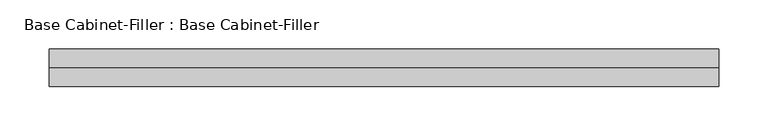
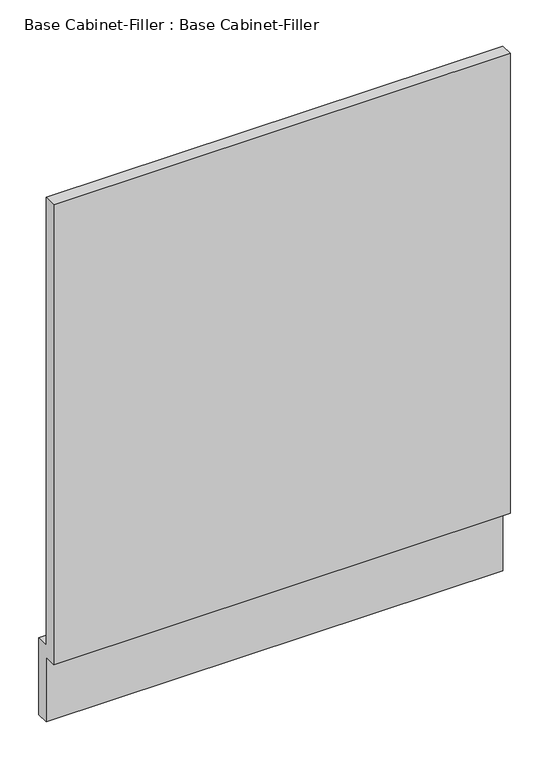
"""IFC4 building model written with IfcOpenShell, lengths in millimetres: furniture geometry, Base Cabinet-Filler : Base Cabinet-Filler."""

from ifc_helpers import new_model, si_unit, frame, origin, place, context, project, spatial, polyline, outline, extrude, source, transform, mapped, element, save


def base_cabinet_filler_base_cabinet_filler_59d0c145(model_context):
    return source(origin(), model_context, "Body", "SweptSolid", [
        extrude(outline(polyline([(-590.55, 101.6), (-590.55, 825.5), (-571.5, 825.5), (-571.5, 120.65), (-552.45, 120.65), (-552.45, 0.0), (-571.5, 0.0), (-571.5, 101.6), (-590.55, 101.6)])), frame((-320.9872951, 0.0, 0.0), z_axis=(1.0, 0.0, 0.0), x_axis=(0.0, 1.0, 0.0)), (0.0, 0.0, 1.0), 679.45),
    ])


if __name__ == "__main__":
    model = new_model("IFC4")
    model_context = context("Model", 3, world=origin())
    ifc_project = project(units=[si_unit("LENGTHUNIT", "METRE", prefix="MILLI")], contexts=[model_context])
    site = spatial("IfcSite", under=ifc_project)
    building = spatial("IfcBuilding", under=site)
    placement = place(None, origin())
    base_cabinet_filler_base_cabinet_filler_shape = base_cabinet_filler_base_cabinet_filler_59d0c145(model_context)
    element("IfcFurniture", 1, ObjectType="Base Cabinet-Filler : Base Cabinet-Filler", at=placement, inside=building, context=model_context, shape_type="MappedRepresentation", body=[
        mapped(base_cabinet_filler_base_cabinet_filler_shape, transform((0.0, 0.0, 0.0), x_axis=(1.0, 0.0, 0.0), y_axis=(0.0, 1.0, 0.0), z_axis=(0.0, 0.0, 1.0))),
    ])
    save(model, "model.ifc")
